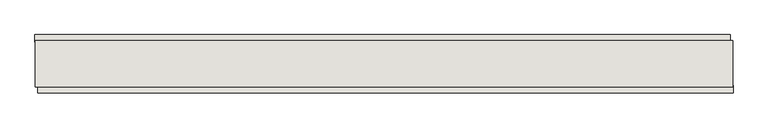
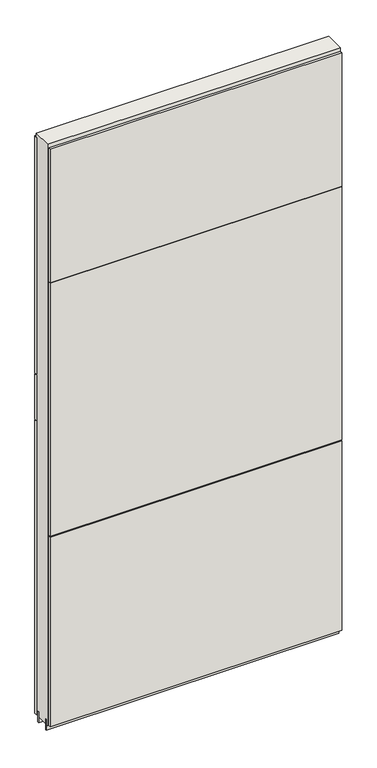
"""IFC4 building model written with IfcOpenShell, lengths in millimetres: wall geometry."""

from ifc_helpers import new_model, si_unit, frame, origin, place, context, project, spatial, polyline, outline, extrude, source, transform, mapped, element, save


def wall_bfac166f(model_context):
    return source(origin(), model_context, "Body", "SweptSolid", [
        extrude(outline(polyline([(63498.708918, -52824.7495954), (63496.168918, -52824.7495954), (63496.168918, -52822.2095954), (63498.708918, -52822.2095954), (63498.708918, -52824.7495954)])), frame((0.0, 0.0, 4419.6), z_axis=(0.0, 0.0, 1.0), x_axis=(1.0, 0.0, 0.0)), (0.0, 0.0, 1.0), 2.54),
        extrude(outline(polyline([(62279.0420914, -52772.6795954), (63494.2420994, -52772.6795954), (63494.2420994, -52785.3795954), (62279.0420914, -52785.3795954), (62279.0420914, -52772.6795954)])), frame((0.0, 0.0, 5945.6000722), z_axis=(0.0, 0.0, 1.0), x_axis=(1.0, 0.0, 0.0)), (0.0, 0.0, 1.0), 1044.449905),
        extrude(outline(polyline([(62279.0420914, -52772.6795954), (63494.2420994, -52772.6795954), (63494.2420994, -52785.3795954), (62279.0420914, -52785.3795954), (62279.0420914, -52772.6795954)])), frame((0.0, 0.0, 5742.3999706), z_axis=(0.0, 0.0, 1.0), x_axis=(1.0, 0.0, 0.0)), (0.0, 0.0, 1.0), 199.2000512),
        extrude(outline(polyline([(62279.0420914, -52772.6795954), (63494.2420994, -52772.6795954), (63494.2420994, -52785.3795954), (62279.0420914, -52785.3795954), (62279.0420914, -52772.6795954)])), frame((0.0, 0.0, 4445.0), z_axis=(0.0, 0.0, 1.0), x_axis=(1.0, 0.0, 0.0)), (0.0, 0.0, 1.0), 1293.400004),
        extrude(outline(polyline([(63499.1782338, -52874.2795954), (62283.9782258, -52874.2795954), (62283.9782258, -52861.5795954), (63499.1782338, -52861.5795954), (63499.1782338, -52874.2795954)])), frame((0.0, 0.0, 6402.8000722), z_axis=(0.0, 0.0, 1.0), x_axis=(1.0, 0.0, 0.0)), (0.0, 0.0, 1.0), 587.2498034),
        extrude(outline(polyline([(63499.1782338, -52874.2795954), (62283.9782258, -52874.2795954), (62283.9782258, -52861.5795954), (63499.1782338, -52861.5795954), (63499.1782338, -52874.2795954)])), frame((0.0, 0.0, 5285.2000722), z_axis=(0.0, 0.0, 1.0), x_axis=(1.0, 0.0, 0.0)), (0.0, 0.0, 1.0), 1113.5999572),
        extrude(outline(polyline([(63499.1782338, -52874.2795954), (62283.9782258, -52874.2795954), (62283.9782258, -52861.5795954), (63499.1782338, -52861.5795954), (63499.1782338, -52874.2795954)])), frame((0.0, 0.0, 4445.0), z_axis=(0.0, 0.0, 1.0), x_axis=(1.0, 0.0, 0.0)), (0.0, 0.0, 1.0), 836.200004),
        extrude(outline(polyline([(63498.703965, -52798.3958508), (62279.503965, -52798.3958508), (62279.503965, -52793.3170954), (63498.703965, -52793.3170954), (63498.703965, -52798.3958508)])), frame((0.0, 0.0, 4418.6602), z_axis=(0.0, 0.0, 1.0), x_axis=(1.0, 0.0, 0.0)), (0.0, 0.0, 1.0), 47.625),
        extrude(outline(polyline([(63498.703965, -52798.3958508), (62279.503965, -52798.3958508), (62279.503965, -52793.3170954), (63498.703965, -52793.3170954), (63498.703965, -52798.3958508)])), frame((0.0, 0.0, 4418.6602), z_axis=(0.0, 0.0, 1.0), x_axis=(1.0, 0.0, 0.0)), (0.0, 0.0, 1.0), 47.625),
        extrude(outline(polyline([(62279.503965, -52848.56334), (63498.703965, -52848.56334), (63498.703965, -52853.6420954), (62279.503965, -52853.6420954), (62279.503965, -52848.56334)])), frame((0.0, 0.0, 4418.6602), z_axis=(0.0, 0.0, 1.0), x_axis=(1.0, 0.0, 0.0)), (0.0, 0.0, 1.0), 47.625),
        extrude(outline(polyline([(62279.503965, -52848.56334), (63498.703965, -52848.56334), (63498.703965, -52853.6420954), (62279.503965, -52853.6420954), (62279.503965, -52848.56334)])), frame((0.0, 0.0, 4418.6602), z_axis=(0.0, 0.0, 1.0), x_axis=(1.0, 0.0, 0.0)), (0.0, 0.0, 1.0), 47.625),
        extrude(outline(polyline([(63498.703965, -52782.824711), (63498.703965, -52864.1282822), (62279.503965, -52864.1282822), (62279.503965, -52782.824711), (63498.703965, -52782.824711)])), frame((0.0, 0.0, 4445.0), z_axis=(0.0, 0.0, 1.0), x_axis=(1.0, 0.0, 0.0)), (0.0, 0.0, 1.0), 2562.4536762),
    ])


if __name__ == "__main__":
    model = new_model("IFC4")
    model_context = context("Model", 3, world=origin())
    ifc_project = project(units=[si_unit("LENGTHUNIT", "METRE", prefix="MILLI")], contexts=[model_context])
    site = spatial("IfcSite", under=ifc_project)
    building = spatial("IfcBuilding", under=site)
    placement = place(None, origin())
    wall_shape = wall_bfac166f(model_context)
    element("IfcWall", 1, at=placement, inside=building, context=model_context, shape_type="MappedRepresentation", body=[
        mapped(wall_shape, transform((0.0, 0.0, 0.0), x_axis=(1.0, 0.0, 0.0), y_axis=(0.0, 1.0, 0.0), z_axis=(0.0, 0.0, 1.0))),
    ])
    save(model, "model.ifc")
